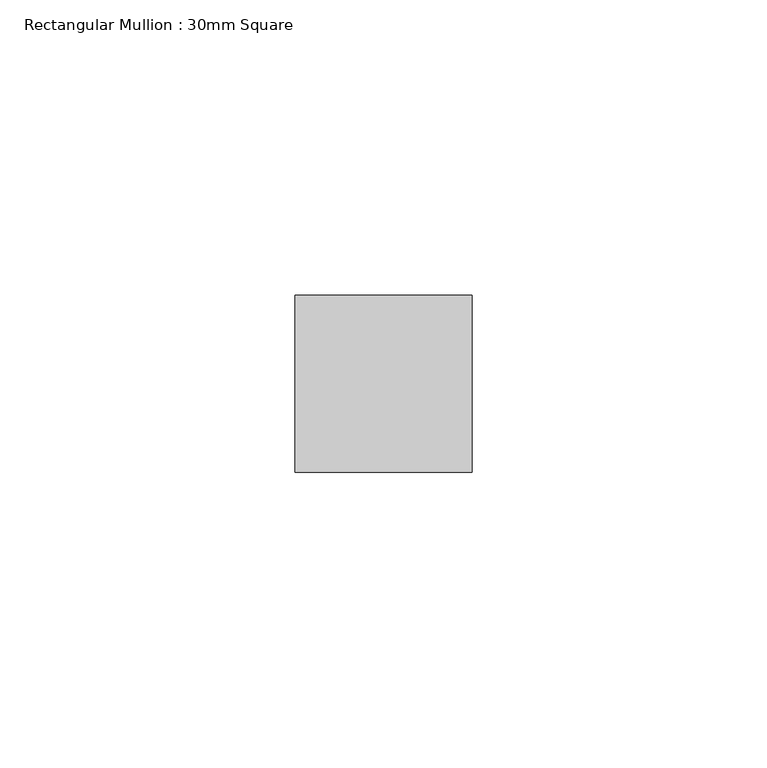
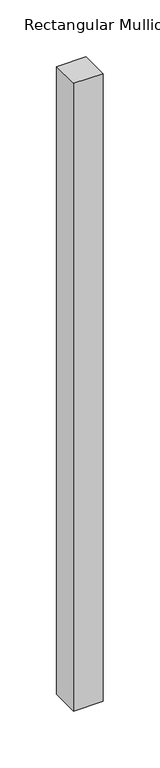
"""IFC4 building model written with IfcOpenShell, lengths in millimetres: member geometry, Rectangular Mullion : 30mm Square."""

from ifc_helpers import new_model, si_unit, frame, origin, place, context, project, spatial, polyline, outline, extrude, source, transform, mapped, element, save


def rectangular_mullion_30mm_square_4c4d620b(model_context):
    return source(origin(), model_context, "Body", "SweptSolid", [
        extrude(outline(polyline([(0.0, 15.0), (0.0, -15.0), (-30.0, -15.0), (-30.0, 15.0), (0.0, 15.0)])), frame((0.0, 0.0, -674.6528163), z_axis=(0.0, 0.0, 1.0), x_axis=(1.0, 0.0, 0.0)), (0.0, 0.0, 1.0), 674.6528163),
    ])


if __name__ == "__main__":
    model = new_model("IFC4")
    model_context = context("Model", 3, world=origin())
    ifc_project = project(units=[si_unit("LENGTHUNIT", "METRE", prefix="MILLI")], contexts=[model_context])
    site = spatial("IfcSite", under=ifc_project)
    building = spatial("IfcBuilding", under=site)
    placement = place(None, origin())
    rectangular_mullion_30mm_square_shape = rectangular_mullion_30mm_square_4c4d620b(model_context)
    element("IfcMember", 1, ObjectType="Rectangular Mullion : 30mm Square", at=placement, inside=building, context=model_context, shape_type="MappedRepresentation", body=[
        mapped(rectangular_mullion_30mm_square_shape, transform((0.0, 0.0, 0.0), x_axis=(1.0, 0.0, 0.0), y_axis=(0.0, 1.0, 0.0), z_axis=(0.0, 0.0, 1.0))),
    ])
    save(model, "model.ifc")
